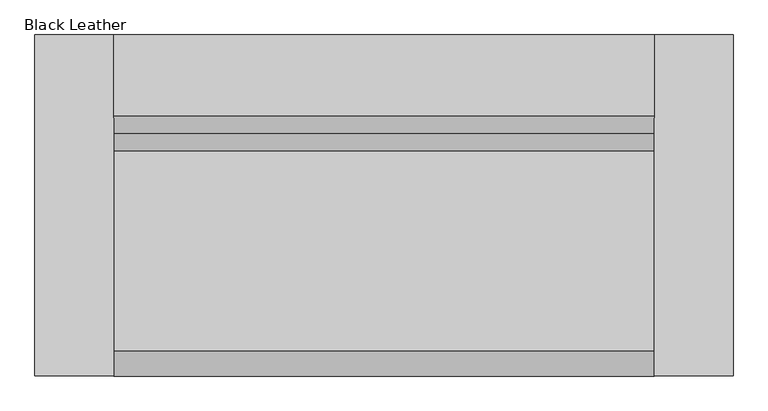
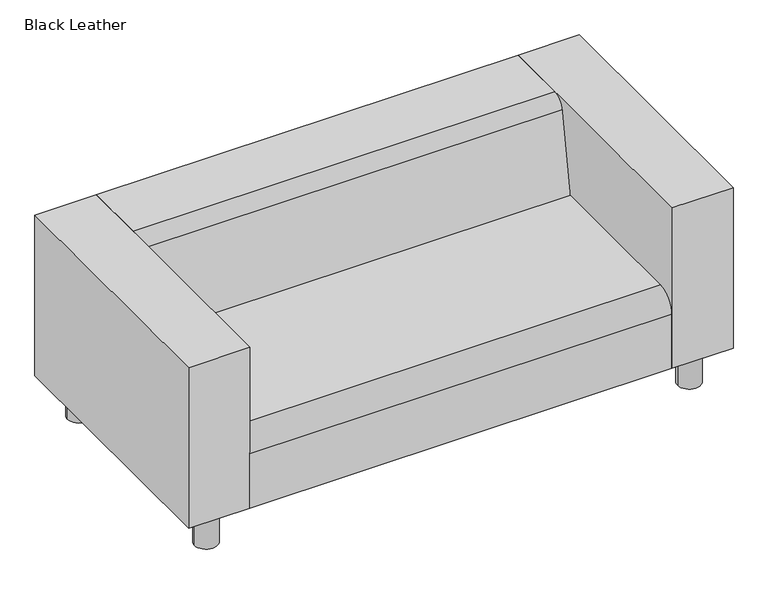
"""IFC4 building model written with IfcOpenShell, lengths in millimetres: furniture geometry, Black Leather."""

from ifc_helpers import new_model, si_unit, point, frame, frame_2d, origin, origin_with_axes, place, context, project, spatial, polyline, circle_curve, trimmed, segment, composite_curve, outline, extrude, source, transform, mapped, element, save


def black_leather_02972894(model_context):
    return source(origin(), model_context, "Body", "SweptSolid", [
        extrude(outline(composite_curve([segment(polyline([(177.5160232, 381.0), (223.3152866, 652.4143908)]), True, "CONTINUOUS"), segment(trimmed(circle_curve(frame_2d((266.5621039, 645.1167956)), 43.8582044), [point((223.3152866, 652.4143908))], [point((266.5621039, 688.975))], False, "CARTESIAN"), True, "CONTINUOUS"), segment(polyline([(266.5621039, 688.975), (476.3540984, 688.975), (476.3540984, 127.9665467), (-403.1209016, 127.9665467), (-403.1209016, 317.5)]), True, "CONTINUOUS"), segment(trimmed(circle_curve(frame_2d((-339.6209016, 317.5)), 63.5), [point((-403.1209016, 317.5))], [point((-339.6209016, 381.0))], False, "CARTESIAN"), True, "CONTINUOUS"), segment(polyline([(-339.6209016, 381.0), (177.5160232, 381.0)]), True, "CONTINUOUS")], self_intersect=False)), frame((-626.5420082, 0.0, 0.0), z_axis=(1.0, 0.0, 0.0), x_axis=(0.0, 1.0, 0.0)), (0.0, 0.0, 1.0), 1393.825),
        extrude(outline(polyline([(-829.7420082, 476.3540984), (-626.5420082, 476.3540984), (-626.5420082, -403.1209016), (-829.7420082, -403.1209016), (-829.7420082, 476.3540984)])), frame((0.0, 0.0, 127.9665467), z_axis=(0.0, 0.0, 1.0), x_axis=(1.0, 0.0, 0.0)), (0.0, 0.0, 1.0), 561.0084533),
        extrude(outline(polyline([(970.4829918, 476.3540984), (970.4829918, -403.1209016), (767.2829918, -403.1209016), (767.2829918, 476.3540984), (970.4829918, 476.3540984)])), frame((0.0, 0.0, 127.9665467), z_axis=(0.0, 0.0, 1.0), x_axis=(1.0, 0.0, 0.0)), (0.0, 0.0, 1.0), 561.0084533),
        extrude(outline(composite_curve([segment(trimmed(circle_curve(frame_2d((-728.1420082, -326.9209016)), 38.1), [point((-766.2420082, -326.9209016))], [point((-690.0420082, -326.9209016))], False, "CARTESIAN"), True, "CONTINUOUS"), segment(trimmed(circle_curve(frame_2d((-728.1420082, -326.9209016)), 38.1), [point((-690.0420082, -326.9209016))], [point((-766.2420082, -326.9209016))], False, "CARTESIAN"), True, "CONTINUOUS")], self_intersect=False)), origin_with_axes(), (0.0, 0.0, 1.0), 127.0),
        extrude(outline(composite_curve([segment(trimmed(circle_curve(frame_2d((868.8829918, -326.9209016)), 38.1), [point((830.7829918, -326.9209016))], [point((906.9829918, -326.9209016))], False, "CARTESIAN"), True, "CONTINUOUS"), segment(trimmed(circle_curve(frame_2d((868.8829918, -326.9209016)), 38.1), [point((906.9829918, -326.9209016))], [point((830.7829918, -326.9209016))], False, "CARTESIAN"), True, "CONTINUOUS")], self_intersect=False)), origin_with_axes(), (0.0, 0.0, 1.0), 127.0),
        extrude(outline(composite_curve([segment(trimmed(circle_curve(frame_2d((868.8829918, 400.1540984)), 38.1), [point((830.7829918, 400.1540984))], [point((906.9829918, 400.1540984))], False, "CARTESIAN"), True, "CONTINUOUS"), segment(trimmed(circle_curve(frame_2d((868.8829918, 400.1540984)), 38.1), [point((906.9829918, 400.1540984))], [point((830.7829918, 400.1540984))], False, "CARTESIAN"), True, "CONTINUOUS")], self_intersect=False)), origin_with_axes(), (0.0, 0.0, 1.0), 127.0),
        extrude(outline(composite_curve([segment(trimmed(circle_curve(frame_2d((-728.1420082, 400.1540984)), 38.1), [point((-766.2420082, 400.1540984))], [point((-690.0420082, 400.1540984))], False, "CARTESIAN"), True, "CONTINUOUS"), segment(trimmed(circle_curve(frame_2d((-728.1420082, 400.1540984)), 38.1), [point((-690.0420082, 400.1540984))], [point((-766.2420082, 400.1540984))], False, "CARTESIAN"), True, "CONTINUOUS")], self_intersect=False)), origin_with_axes(), (0.0, 0.0, 1.0), 127.0),
    ])


if __name__ == "__main__":
    model = new_model("IFC4")
    model_context = context("Model", 3, world=origin())
    ifc_project = project(units=[si_unit("LENGTHUNIT", "METRE", prefix="MILLI")], contexts=[model_context])
    site = spatial("IfcSite", under=ifc_project)
    building = spatial("IfcBuilding", under=site)
    placement = place(None, origin())
    black_leather_shape = black_leather_02972894(model_context)
    element("IfcFurniture", 1, ObjectType="Black Leather", at=placement, inside=building, context=model_context, shape_type="MappedRepresentation", body=[
        mapped(black_leather_shape, transform((0.0, 0.0, 0.0), x_axis=(1.0, 0.0, 0.0), y_axis=(0.0, 1.0, 0.0), z_axis=(0.0, 0.0, 1.0))),
    ])
    save(model, "model.ifc")
